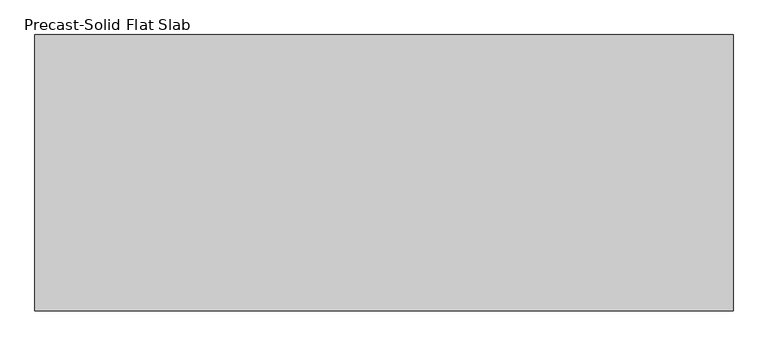
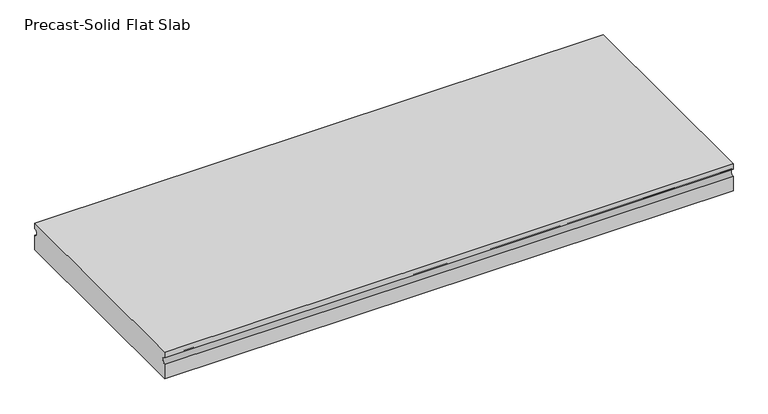
"""IFC4 building model written with IfcOpenShell, lengths in millimetres: beam geometry, Precast-Solid Flat Slab."""

from ifc_helpers import new_model, si_unit, point, frame, frame_2d, origin, place, context, project, spatial, polyline, circle_curve, trimmed, segment, composite_curve, outline, extrude, source, transform, mapped, element, save


def precast_solid_flat_slab_6fdfd03b(model_context):
    return source(origin(), model_context, "Body", "SweptSolid", [
        extrude(outline(composite_curve([segment(polyline([(-304.8, 38.1), (304.8, 38.1), (304.8, 22.225)]), True, "CONTINUOUS"), segment(trimmed(circle_curve(frame_2d((304.8, 12.7)), 9.525), [point((304.8, 22.225))], [point((304.8, 3.175))], True, "CARTESIAN"), True, "CONTINUOUS"), segment(polyline([(304.8, 3.175), (304.8, -38.1), (-304.8, -38.1), (-304.8, 3.175)]), True, "CONTINUOUS"), segment(trimmed(circle_curve(frame_2d((-304.8, 12.7)), 9.525), [point((-304.8, 3.175))], [point((-304.8, 22.225))], True, "CARTESIAN"), True, "CONTINUOUS"), segment(polyline([(-304.8, 22.225), (-304.8, 38.1)]), True, "CONTINUOUS")], self_intersect=False)), frame((-806.7802, 0.0, 0.0), z_axis=(1.0, 0.0, 0.0), x_axis=(0.0, 1.0, 0.0)), (0.0, 0.0, 1.0), 1540.3540281),
    ])


if __name__ == "__main__":
    model = new_model("IFC4")
    model_context = context("Model", 3, world=origin())
    ifc_project = project(units=[si_unit("LENGTHUNIT", "METRE", prefix="MILLI")], contexts=[model_context])
    site = spatial("IfcSite", under=ifc_project)
    building = spatial("IfcBuilding", under=site)
    placement = place(None, origin())
    precast_solid_flat_slab_shape = precast_solid_flat_slab_6fdfd03b(model_context)
    element("IfcBeam", 1, ObjectType="Precast-Solid Flat Slab", at=placement, inside=building, context=model_context, shape_type="MappedRepresentation", body=[
        mapped(precast_solid_flat_slab_shape, transform((0.0, 0.0, 0.0), x_axis=(1.0, 0.0, 0.0), y_axis=(0.0, 1.0, 0.0), z_axis=(0.0, 0.0, 1.0))),
    ])
    save(model, "model.ifc")
